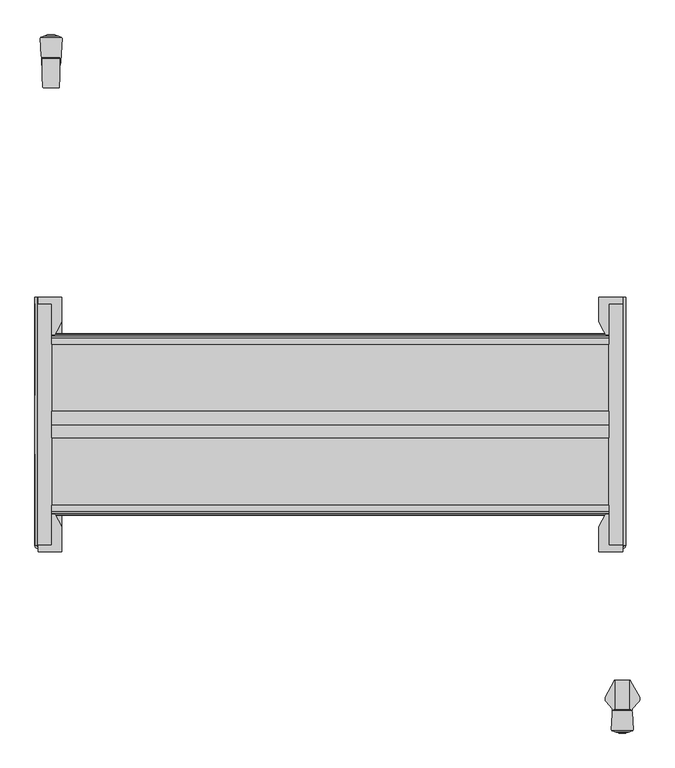
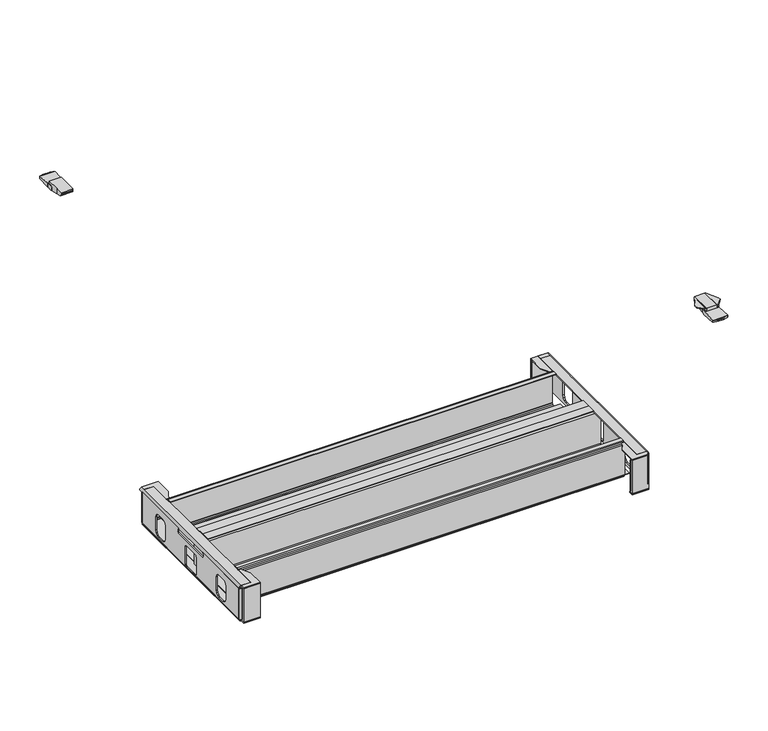
"""IFC4 building model written with IfcOpenShell, lengths in millimetres: furniture geometry."""

from ifc_helpers import new_model, si_unit, point, frame, frame_2d, origin, place, context, project, spatial, polyline, circle_curve, ellipse_curve, trimmed, segment, composite_curve, outline, extrude, faceted_brep, source, transform, mapped, element, save
from ifc_brep_helpers import plane_surface, cylinder_surface, advanced_brep


def furniture_58b307c2(model_context):
    return source(origin(), model_context, "Body", "SolidModel", [
        advanced_brep(
        [(-675.4317452, 1071.8221186, 1017.7130243), (-675.4317452, 1075.6963371, 1016.9270984), (-675.4317452, 1077.8255676, 1016.6538593), (-675.4317452, 1079.7968499, 1016.5113535), (-675.4317452, 1081.8293203, 1016.5263235), (-675.4317452, 1083.869203, 1016.7748548), (-675.4317452, 1091.5328704, 1029.7916475), (-675.4317452, 1090.6843394, 1037.209), (-675.4317452, 1054.9216668, 1037.209), (-675.4317452, 1054.9216668, 1021.7486428), (-708.2451645, 1090.6843394, 1037.209), (-708.2451645, 1091.5328704, 1029.7916475), (-708.2451645, 1083.869203, 1016.7748548), (-708.2451645, 1081.8293203, 1016.5263235), (-708.2451645, 1079.7968499, 1016.5113535), (-708.2451645, 1077.8255676, 1016.6538593), (-708.2451645, 1075.6963371, 1016.9270984), (-708.2451645, 1071.8221186, 1017.7130243), (-708.2451645, 1056.0256731, 1021.4850198), (-708.2451645, 1056.0256731, 1037.209), (-707.3063131, 1035.6569697, 1037.209), (-705.6193974, 1034.3300757, 1037.209), (-678.0066255, 1034.3300757, 1037.209), (-676.3197098, 1035.6569697, 1037.209), (-706.4875126, 1034.5633827, 1033.8727211), (-677.1385102, 1034.5633827, 1033.8727211), (-706.8291096, 1034.8218335, 1032.277615), (-676.7969133, 1034.8218335, 1032.277615), (-707.1802739, 1035.3072326, 1030.7540161), (-676.445749, 1035.3072326, 1030.7540161), (-707.3063131, 1035.6569697, 1030.0612029), (-707.3229046, 1036.0169277, 1029.3481426), (-676.3031183, 1036.0169277, 1029.3481426), (-676.3197098, 1035.6569697, 1030.0612029), (-707.3646804, 1036.9232677, 1028.0897165), (-676.2613425, 1036.9232677, 1028.0897165), (-707.4167075, 1038.0520142, 1026.9530853), (-676.2093154, 1038.0520142, 1026.9530853), (-707.541025, 1040.7491243, 1025.2864719), (-676.0849979, 1040.7491243, 1025.2864719), (-707.6116573, 1042.2815162, 1024.7669542), (-676.0143656, 1042.2815162, 1024.7669542)],
        [
            (0, 1),
            (1, 2),
            (2, 3),
            (3, 4),
            (4, 5),
            (5, 6),
            (6, 7),
            (7, 8),
            (8, 9),
            (9, 0),
            (10, 11),
            (11, 12),
            (12, 13),
            (13, 14),
            (14, 15),
            (15, 16),
            (16, 17),
            (17, 18),
            (18, 19),
            (19, 10),
            (7, 10),
            (19, 20),
            (20, 21, circle_curve(frame((-705.6177592, 1036.0679158, 1037.209), z_axis=(0.0, 0.0, 1.0), x_axis=(1.0000000000000004, 0.0, 0.0)), 1.7378408)),
            (21, 22),
            (22, 23, circle_curve(frame((-678.0082636, 1036.0679158, 1037.209), z_axis=(0.0, 0.0, 1.0), x_axis=(-1.0000000000000004, 0.0, 0.0)), 1.7378408)),
            (23, 8),
            (21, 24, ellipse_curve(frame((-705.6177592, 1036.0679158, 1012.3579681), z_axis=(0.0, -0.997563808233696, -0.06975993479273002), x_axis=(0.0, 0.06975993479273002, -0.997563808233696)), 24.9117327, 1.7378408)),
            (24, 25),
            (25, 22, ellipse_curve(frame((-678.0082636, 1036.0679158, 1012.3579681), z_axis=(0.0, -0.997563808233696, -0.06975993479273002), x_axis=(0.0, 0.06975993479273002, -0.997563808233696)), 24.9117327, 1.7378408)),
            (24, 26, ellipse_curve(frame((-705.6177592, 1036.0679158, 1024.5870466), z_axis=(0.0, -0.9871264986508672, -0.15994147573809486), x_axis=(0.0, 0.15994147573809486, -0.9871264986508672)), 10.8654796, 1.7378408)),
            (26, 27),
            (27, 25, ellipse_curve(frame((-678.0082636, 1036.0679158, 1024.5870466), z_axis=(0.0, -0.9871264986508672, -0.15994147573809486), x_axis=(0.0, 0.15994147573809486, -0.9871264986508672)), 10.8654796, 1.7378408)),
            (26, 28, ellipse_curve(frame((-705.6177592, 1036.0679158, 1028.3663399), z_axis=(0.0, -0.9528141049574114, -0.3035544125757477), x_axis=(0.0, 0.3035544125757477, -0.9528141049574111)), 5.7249731, 1.7378408)),
            (28, 29),
            (29, 27, ellipse_curve(frame((-678.0082636, 1036.0679158, 1028.3663399), z_axis=(0.0, -0.9528141049574114, -0.3035544125757477), x_axis=(0.0, 0.3035544125757477, -0.9528141049574111)), 5.7249731, 1.7378408)),
            (30, 31),
            (31, 32),
            (32, 33),
            (33, 29, ellipse_curve(frame((-678.0082636, 1036.0679158, 1029.2471375), z_axis=(0.0, -0.8927040411549354, -0.45064342323576334), x_axis=(0.0, 0.45064342323576334, -0.8927040411549354)), 3.8563546, 1.7378408)),
            (28, 30, ellipse_curve(frame((-705.6177592, 1036.0679158, 1029.2471375), z_axis=(0.0, -0.8927040411549354, -0.45064342323576334), x_axis=(0.0, 0.45064342323576334, -0.8927040411549354)), 3.8563546, 1.7378408)),
            (31, 34),
            (34, 35),
            (35, 32),
            (34, 36),
            (36, 37),
            (37, 35),
            (36, 38),
            (38, 39),
            (39, 37),
            (38, 40),
            (40, 41),
            (41, 39),
            (17, 0),
            (9, 41),
            (40, 18),
            (16, 1),
            (15, 2),
            (14, 3),
            (13, 4),
            (12, 5),
            (11, 6),
            (30, 20),
            (23, 33),
        ],
        [
            plane_surface(frame((-675.4317452, 1076.1473996, 1037.209), z_axis=(1.0, 0.0, 0.0), x_axis=(0.0, -1.0, 0.0))),
            plane_surface(frame((-708.2451645, 1076.1473996, 1037.209), z_axis=(-1.0, 0.0, 0.0), x_axis=(0.0, 1.0, 0.0))),
            plane_surface(frame((-675.4317452, 1090.6843394, 1037.209), z_axis=(0.0, 0.0, 1.0), x_axis=(-1.0, 0.0, 0.0))),
            plane_surface(frame((-675.4317452, 1034.3300757, 1037.209), z_axis=(0.0, -0.997563808233696, -0.06975993479273002), x_axis=(-1.0, 0.0, 0.0))),
            plane_surface(frame((-675.4317452, 1034.5633827, 1033.8727211), z_axis=(0.0, -0.9871264986508672, -0.15994147573809486), x_axis=(-1.0, 0.0, 0.0))),
            plane_surface(frame((-675.4317452, 1034.8218335, 1032.277615), z_axis=(0.0, -0.9528141049574114, -0.3035544125757477), x_axis=(-1.0, 0.0, 0.0))),
            plane_surface(frame((-675.4317452, 1035.3072326, 1030.7540161), z_axis=(0.0, -0.8927040411549354, -0.45064342323576334), x_axis=(-1.0, 0.0, 0.0))),
            plane_surface(frame((-675.4317452, 1036.0169277, 1029.3481426), z_axis=(0.0, -0.8114507875380343, -0.5844207554526992), x_axis=(-1.0, 0.0, 0.0))),
            plane_surface(frame((-675.4317452, 1036.9232677, 1028.0897165), z_axis=(0.0, -0.7095635828811538, -0.704641413662907), x_axis=(-1.0, 0.0, 0.0))),
            plane_surface(frame((-675.4317452, 1038.0520142, 1026.9530853), z_axis=(0.0, -0.5256643953018257, -0.8506920379972802), x_axis=(-1.0, 0.0, 0.0))),
            plane_surface(frame((-675.4317452, 1040.7491243, 1025.2864719), z_axis=(0.0, -0.32107410172322687, -0.9470540751206464), x_axis=(-1.0, 0.0, 0.0))),
            plane_surface(frame((-675.4317452, 1042.2815162, 1024.7669542), z_axis=(0.0, -0.23225778917580214, -0.9726542650742702), x_axis=(-1.0, 0.0, 0.0))),
            plane_surface(frame((-675.4317452, 1071.8221186, 1017.7130243), z_axis=(0.0, -0.1988109622365402, -0.9800378570721546), x_axis=(-1.0, 0.0, 0.0))),
            plane_surface(frame((-675.4317452, 1075.6963371, 1016.9270984), z_axis=(0.0, -0.12728387031952282, -0.9918663298834591), x_axis=(-1.0, 0.0, 0.0))),
            plane_surface(frame((-675.4317452, 1077.8255676, 1016.6538593), z_axis=(0.0, -0.07210277493300893, -0.997397207659496), x_axis=(-1.0, 0.0, 0.0))),
            plane_surface(frame((-675.4317452, 1079.7968499, 1016.5113535), z_axis=(0.0, 0.007365229187275849, -0.9999728763316628), x_axis=(-1.0, 0.0, 0.0))),
            plane_surface(frame((-675.4317452, 1081.8293203, 1016.5263235), z_axis=(0.0, 0.12094176610084176, -0.992659603898743), x_axis=(-1.0, 0.0, 0.0))),
            plane_surface(frame((-675.4317452, 1083.869203, 1016.7748548), z_axis=(0.0, 0.8617394273144984, -0.5073511204399574), x_axis=(-1.0, 0.0, 0.0))),
            plane_surface(frame((-675.4317452, 1091.5328704, 1029.7916475), z_axis=(0.0, 0.9935200698495489, 0.11365681152551964), x_axis=(-1.0, 0.0, 0.0))),
            plane_surface(frame((-707.3063131, 1035.6569697, 1050.6978518), z_axis=(-0.9989394147117107, -0.04604395438518504, 0.0), x_axis=(0.0, 0.0, -1.0))),
            cylinder_surface(frame((-705.6177592, 1036.0679158, 1007.8853687), z_axis=(0.0, 0.0, -1.0), x_axis=(1.0000000000000004, 0.0, 0.0)), 1.7378408),
            plane_surface(frame((-673.6404627, 1093.784156, 1050.6978518), z_axis=(0.9989394147117103, -0.04604395438519144, 0.0), x_axis=(0.0, 0.0, -1.0))),
            cylinder_surface(frame((-678.0082636, 1036.0679158, 1007.8853687), z_axis=(0.0, 0.0, -1.0), x_axis=(-1.0000000000000004, 0.0, 0.0)), 1.7378408),
        ],
        [
            (0, [[1, 2, 3, 4, 5, 6, 7, 8, 9, 10]]),
            (1, [[11, 12, 13, 14, 15, 16, 17, 18, 19, 20]]),
            (2, [[21, -20, 22, 23, 24, 25, 26, -8]]),
            (3, [[27, 28, 29, -24]]),
            (4, [[30, 31, 32, -28]]),
            (5, [[33, 34, 35, -31]]),
            (6, [[36, 37, 38, 39, -34, 40]]),
            (7, [[41, 42, 43, -37]]),
            (8, [[44, 45, 46, -42]]),
            (9, [[47, 48, 49, -45]]),
            (10, [[50, 51, 52, -48]]),
            (11, [[53, -10, 54, -51, 55, -18]]),
            (12, [[-1, -53, -17, 56]]),
            (13, [[-2, -56, -16, 57]]),
            (14, [[-3, -57, -15, 58]]),
            (15, [[-4, -58, -14, 59]]),
            (16, [[-5, -59, -13, 60]]),
            (17, [[-6, -60, -12, 61]]),
            (18, [[-7, -61, -11, -21]]),
            (19, [[62, -22, -19, -55, -50, -47, -44, -41, -36]]),
            (20, [[-62, -40, -33, -30, -27, -23]]),
            (21, [[63, -38, -43, -46, -49, -52, -54, -9, -26]]),
            (22, [[-63, -25, -29, -32, -35, -39]]),
        ],
    ),
        faceted_brep([(-674.201947, 1080.6279947, 1029.223888), (-674.0056147, 1083.5645029, 1030.0697046), (-709.5145074, 1083.5645029, 1030.0697046), (-709.3791554, 1080.6279947, 1029.223888), (-674.3465732, 1078.4648454, 1027.3301699), (-709.2794497, 1078.4648454, 1027.3301699), (-674.4145724, 1077.4477927, 1025.0631571), (-709.2325708, 1077.4477927, 1025.0631571), (-674.4293768, 1077.2263672, 1023.7281368), (-709.2223647, 1077.2263672, 1023.7281368), (-674.4261142, 1077.2751651, 1022.446311), (-709.2246139, 1077.2751651, 1022.446311), (-674.4106539, 1077.506401, 1021.1650665), (-709.2352722, 1077.506401, 1021.1650665), (-674.3493839, 1078.4228058, 1019.326952), (-709.2775119, 1078.4228058, 1019.326952), (-674.2326986, 1080.1680481, 1017.6682596), (-709.3579551, 1080.1680481, 1017.6682596), (-674.0544858, 1082.8335468, 1016.6432495), (-709.4808155, 1082.8335468, 1016.6432495), (-673.962786, 1084.2050837, 1016.5717422), (-709.5440336, 1084.2050837, 1016.5717422), (-671.0473822, 1127.8102709, 1023.2389952), (-709.9855602, 1093.784156, 1018.0363867), (-710.5204622, 1093.784156, 1018.0363867), (-712.7954178, 1127.8102709, 1023.2389952), (-671.0040016, 1128.4591078, 1023.3389153), (-712.8387984, 1128.4591078, 1023.3389153), (-711.416104, 1129.5267722, 1023.5033343), (-708.0218056, 1130.7760783, 1023.695726), (-675.8209944, 1130.7760783, 1023.695726), (-672.426696, 1129.5267722, 1023.5033343), (-681.0962098, 1132.7176749, 1023.9930916), (-702.7465902, 1132.7176749, 1023.9930916), (-685.3723762, 1134.2915613, 1025.1280514), (-698.4704238, 1134.2915613, 1025.1280514), (-685.0005958, 1134.1547238, 1027.4254402), (-698.8422042, 1134.1547238, 1027.4254402), (-680.5815491, 1132.5282488, 1028.3600857), (-703.2612509, 1132.5282488, 1028.3600857), (-673.1840778, 1129.8055343, 1028.4561186), (-710.6587222, 1129.8055343, 1028.4561186), (-671.0040016, 1128.4591078, 1028.5031023), (-672.426696, 1129.5267722, 1028.465846), (-711.416104, 1129.5267722, 1028.465846), (-712.8387984, 1128.4591078, 1028.5031023), (-710.5204622, 1093.784156, 1029.7130886), (-709.9855602, 1093.784156, 1029.7130886)], [[[0, 1, 2, 3]], [[4, 0, 3, 5]], [[6, 4, 5, 7]], [[8, 6, 7, 9]], [[10, 8, 9, 11]], [[12, 10, 11, 13]], [[14, 12, 13, 15]], [[16, 14, 15, 17]], [[18, 16, 17, 19]], [[20, 18, 19, 21]], [[22, 20, 21, 23, 24, 25]], [[26, 22, 25, 27, 28, 29, 30, 31]], [[32, 30, 29, 33]], [[34, 32, 33, 35]], [[36, 34, 35, 37]], [[38, 36, 37, 39]], [[40, 38, 39, 41]], [[1, 42, 43, 40, 41, 44, 45, 46, 47, 2]], [[26, 42, 1, 0, 4, 6, 8, 10, 12, 14, 16, 18, 20, 22]], [[43, 31, 30, 32, 34, 36, 38, 40]], [[42, 26, 31, 43]], [[47, 23, 21, 19, 17, 15, 13, 11, 9, 7, 5, 3, 2]], [[23, 47, 46, 24]], [[45, 27, 25, 24, 46]], [[28, 44, 41, 39, 37, 35, 33, 29]], [[44, 28, 27, 45]]]),
        advanced_brep(
        [(372.8331697, -84.4376979, 1037.209), (372.8331697, -84.4376979, 1029.9601819), (371.71166, -84.4376979, 1029.8867914), (371.71166, -84.4376979, 1037.209), (368.5278093, -139.9108353, 1033.5228106), (368.6778673, -139.9108353, 1031.2297138), (369.0572398, -139.9108353, 1029.7130886), (372.8331697, -139.9108353, 1029.9601819), (372.8331697, -139.9108353, 1037.209), (368.1573081, -139.9108353, 1037.209), (368.1573081, -139.9108353, 1033.8693631), (354.4556977, -115.9887657, 1037.209), (354.4556977, -121.174185, 1037.209), (356.3637879, -124.7627808, 1037.209), (368.1573081, -137.9611382, 1037.209), (354.7338057, -115.4802687, 1036.2591307), (354.7338057, -122.0880103, 1036.2591307), (355.324758, -114.3997624, 1035.4654291), (355.324758, -123.3454594, 1035.4654291), (356.2021754, -112.795479, 1034.9271625), (356.2021754, -124.5805945, 1034.9271625), (359.034924, -107.6160377, 1034.7095886), (359.034924, -127.752101, 1034.7095886), (356.3637879, -124.7627808, 1034.9147496), (367.25964, -92.5778401, 1034.7090072), (367.25964, -136.9565404, 1034.7090072), (368.5278093, -90.2590997, 1033.5228106), (368.1573081, -137.9611382, 1033.8693631), (368.6778673, -89.9847313, 1031.2297138), (369.0572398, -89.2910808, 1029.7130886)],
        [
            (0, 1),
            (1, 2),
            (2, 3),
            (3, 0),
            (4, 5),
            (5, 6),
            (6, 7),
            (7, 8),
            (8, 9),
            (9, 10),
            (10, 4),
            (8, 0),
            (3, 11),
            (11, 12),
            (12, 13, circle_curve(frame((362.3824137, -119.261048, 1037.209), z_axis=(0.0, 0.0, 1.0), x_axis=(1.0, 0.0, 0.0)), 8.1543192)),
            (13, 14),
            (14, 9),
            (11, 15),
            (15, 16),
            (16, 12, ellipse_curve(frame((362.3824137, -119.261048, 1010.1355466), z_axis=(-0.9597108497777287, 0.0, -0.28098947456961776), x_axis=(0.28098947456961776, 0.0, -0.9597108497777287)), 29.0200165, 8.1543192)),
            (15, 17),
            (17, 18),
            (18, 16, ellipse_curve(frame((362.3824137, -119.261048, 1025.9863691), z_axis=(-0.8020925083963487, 0.0, -0.597199805738794), x_axis=(0.5971998057387942, 0.0, -0.8020925083963487)), 13.6542563, 8.1543192)),
            (17, 19),
            (19, 20),
            (20, 18, ellipse_curve(frame((362.3824137, -119.261048, 1031.1357905), z_axis=(-0.5229113139159309, 0.0, -0.8523870938597762), x_axis=(0.8523870938597762, 0.0, -0.5229113139159307)), 9.5664508, 8.1543192)),
            (19, 21),
            (21, 22),
            (22, 23),
            (23, 20, ellipse_curve(frame((362.3824137, -119.261048, 1034.4524791), z_axis=(-0.07658109560408621, 0.0, -0.9970633559589269), x_axis=(0.9970633559589269, 0.0, -0.076581095604086)), 8.178336, 8.1543192)),
            (21, 24),
            (24, 25),
            (25, 22),
            (26, 4),
            (10, 27),
            (27, 25),
            (24, 26),
            (26, 28),
            (28, 5),
            (28, 29),
            (29, 6),
            (29, 2),
            (1, 7),
            (27, 14),
            (13, 23),
        ],
        [
            plane_surface(frame((372.8331697, -84.4376979, 1029.7916475), z_axis=(0.0, 1.0, 0.0), x_axis=(0.0, 0.0, -1.0))),
            plane_surface(frame((372.8331697, -139.9108353, 1029.7916475), z_axis=(0.0, -1.0, 0.0), x_axis=(0.0, 0.0, 1.0))),
            plane_surface(frame((354.4556977, -84.4376979, 1037.209), z_axis=(0.0, 0.0, 1.0), x_axis=(0.0, -1.0, 0.0))),
            plane_surface(frame((354.7338057, -84.4376979, 1036.2591307), z_axis=(-0.9597108497777287, 0.0, -0.28098947456961776), x_axis=(0.0, -1.0, 0.0))),
            plane_surface(frame((355.324758, -84.4376979, 1035.4654291), z_axis=(-0.8020925083963487, 0.0, -0.597199805738794), x_axis=(0.0, -1.0, 0.0))),
            plane_surface(frame((356.2021754, -84.4376979, 1034.9271625), z_axis=(-0.5229113139159309, 0.0, -0.8523870938597762), x_axis=(0.0, -1.0, 0.0))),
            plane_surface(frame((359.034924, -84.4376979, 1034.7095886), z_axis=(-0.07658109560408621, 0.0, -0.9970633559589269), x_axis=(0.0, -1.0, 0.0))),
            plane_surface(frame((367.25964, -84.4376979, 1034.7090072), z_axis=(-7.068449081192285e-05, 0.0, -0.9999999975018514), x_axis=(0.0, -1.0, 0.0))),
            plane_surface(frame((368.5278093, -84.4376979, 1033.5228106), z_axis=(-0.6831094450823834, 0.0, -0.730316017925965), x_axis=(0.0, -1.0, 0.0))),
            plane_surface(frame((368.6778673, -84.4376979, 1031.2297138), z_axis=(-0.9978657180161974, 0.0, -0.06529937831265213), x_axis=(0.0, -1.0, 0.0))),
            plane_surface(frame((369.0572398, -84.4376979, 1029.7130886), z_axis=(-0.9701099565798296, 0.0, -0.24266576220118327), x_axis=(0.0, -1.0, 0.0))),
            plane_surface(frame((372.8331697, -84.4376979, 1029.9601819), z_axis=(0.06529937831268313, 0.0, -0.9978657180161954), x_axis=(0.0, -1.0, 0.0))),
            plane_surface(frame((372.8331697, -84.4376979, 1037.209), z_axis=(1.0, 0.0, 0.0), x_axis=(0.0, -1.0, 0.0))),
            plane_surface(frame((354.0963549, -116.6457936, 1067.1304045), z_axis=(-0.8773539056662283, 0.4798438539902486, 0.0), x_axis=(0.0, 0.0, -1.0))),
            plane_surface(frame((368.1573081, -137.9611382, 1044.0028547), z_axis=(-0.745677339865646, -0.6663072150373984, 0.0), x_axis=(0.0, 0.0, -1.0))),
            plane_surface(frame((368.1573081, -141.1374645, 1044.0028547), z_axis=(-1.0, 0.0, 0.0), x_axis=(0.0, 0.0, -1.0))),
            cylinder_surface(frame((362.3824137, -119.261048, 344.6554878), z_axis=(0.0, 0.0, -1.0), x_axis=(1.0, 0.0, 0.0)), 8.1543192),
        ],
        [
            (0, [[1, 2, 3, 4]]),
            (1, [[5, 6, 7, 8, 9, 10, 11]]),
            (2, [[12, -4, 13, 14, 15, 16, 17, -9]]),
            (3, [[18, 19, 20, -14]]),
            (4, [[21, 22, 23, -19]]),
            (5, [[24, 25, 26, -22]]),
            (6, [[27, 28, 29, 30, -25]]),
            (7, [[31, 32, 33, -28]]),
            (8, [[34, -11, 35, 36, -32, 37]]),
            (9, [[-5, -34, 38, 39]]),
            (10, [[-6, -39, 40, 41]]),
            (11, [[-7, -41, 42, -2, 43]]),
            (12, [[-1, -12, -8, -43]]),
            (13, [[-3, -42, -40, -38, -37, -31, -27, -24, -21, -18, -13]]),
            (14, [[44, -16, 45, -29, -33, -36]]),
            (15, [[-44, -35, -10, -17]]),
            (16, [[-15, -20, -23, -26, -30, -45]]),
        ],
    ),
        advanced_brep(
        [(401.4096303, -84.4376979, 1029.9601819), (401.4096303, -84.4376979, 1037.209), (402.53114, -84.4376979, 1037.209), (402.53114, -84.4376979, 1029.8867914), (401.4096303, -139.9108353, 1037.209), (401.4096303, -139.9108353, 1029.9601819), (405.1855602, -139.9108353, 1029.7130886), (405.5649327, -139.9108353, 1031.2297138), (405.7149907, -139.9108353, 1033.5228106), (406.0854919, -139.9108353, 1033.8693631), (406.0854919, -139.9108353, 1037.209), (406.0854919, -137.9611382, 1037.209), (417.8790121, -124.7627808, 1037.209), (419.7871023, -121.174185, 1037.209), (419.7871023, -115.9887657, 1037.209), (419.5089943, -115.4802687, 1036.2591307), (419.5089943, -122.0880103, 1036.2591307), (418.918042, -114.3997624, 1035.4654291), (418.918042, -123.3454594, 1035.4654291), (418.0406246, -112.795479, 1034.9271625), (418.0406246, -124.5805945, 1034.9271625), (415.207876, -107.6160377, 1034.7095886), (417.8790121, -124.7627808, 1034.9147496), (415.207876, -127.752101, 1034.7095886), (406.98316, -92.5778401, 1034.7090072), (406.98316, -136.9565404, 1034.7090072), (405.7149907, -90.2590997, 1033.5228106), (406.0854919, -137.9611382, 1033.8693631), (405.5649327, -89.9847313, 1031.2297138), (405.1855602, -89.2910808, 1029.7130886)],
        [
            (0, 1),
            (1, 2),
            (2, 3),
            (3, 0),
            (4, 5),
            (5, 6),
            (6, 7),
            (7, 8),
            (8, 9),
            (9, 10),
            (10, 4),
            (1, 4),
            (10, 11),
            (11, 12),
            (12, 13, circle_curve(frame((411.8603863, -119.261048, 1037.209), z_axis=(0.0, 0.0, 1.0), x_axis=(-1.0, 0.0, 0.0)), 8.1543192)),
            (13, 14),
            (14, 2),
            (15, 14),
            (13, 16, ellipse_curve(frame((411.8603863, -119.261048, 1010.1355466), z_axis=(0.9597108497777287, 0.0, -0.28098947456961776), x_axis=(-0.28098947456961776, 0.0, -0.9597108497777287)), 29.0200165, 8.1543192)),
            (16, 15),
            (17, 15),
            (16, 18, ellipse_curve(frame((411.8603863, -119.261048, 1025.9863691), z_axis=(0.8020925083963487, 0.0, -0.597199805738794), x_axis=(-0.5971998057387942, 0.0, -0.8020925083963487)), 13.6542563, 8.1543192)),
            (18, 17),
            (19, 17),
            (18, 20, ellipse_curve(frame((411.8603863, -119.261048, 1031.1357905), z_axis=(0.5229113139159309, 0.0, -0.8523870938597762), x_axis=(-0.8523870938597762, 0.0, -0.5229113139159307)), 9.5664508, 8.1543192)),
            (20, 19),
            (21, 19),
            (20, 22, ellipse_curve(frame((411.8603863, -119.261048, 1034.4524791), z_axis=(0.07658109560408916, 0.0, -0.9970633559589267), x_axis=(-0.9970633559589266, 0.0, -0.07658109560408885)), 8.178336, 8.1543192)),
            (22, 23),
            (23, 21),
            (24, 21),
            (23, 25),
            (25, 24),
            (8, 26),
            (26, 24),
            (25, 27),
            (27, 9),
            (7, 28),
            (28, 26),
            (6, 29),
            (29, 28),
            (5, 0),
            (3, 29),
            (11, 27),
            (22, 12),
        ],
        [
            plane_surface(frame((403.4451645, -84.4376979, 1037.209), z_axis=(0.0, 1.0, 0.0), x_axis=(1.0, 0.0, 0.0))),
            plane_surface(frame((403.4451645, -139.9108353, 1037.209), z_axis=(0.0, -1.0, 0.0), x_axis=(-1.0, 0.0, 0.0))),
            plane_surface(frame((401.4096303, -84.4376979, 1037.209), z_axis=(0.0, 0.0, 1.0), x_axis=(0.0, -1.0, 0.0))),
            plane_surface(frame((419.7871023, -84.4376979, 1037.209), z_axis=(0.9597108497777287, 0.0, -0.28098947456961776), x_axis=(0.0, -1.0, 0.0))),
            plane_surface(frame((419.5089943, -84.4376979, 1036.2591307), z_axis=(0.8020925083963487, 0.0, -0.597199805738794), x_axis=(0.0, -1.0, 0.0))),
            plane_surface(frame((418.918042, -84.4376979, 1035.4654291), z_axis=(0.5229113139159309, 0.0, -0.8523870938597762), x_axis=(0.0, -1.0, 0.0))),
            plane_surface(frame((418.0406246, -84.4376979, 1034.9271625), z_axis=(0.07658109560408916, 0.0, -0.9970633559589267), x_axis=(0.0, -1.0, 0.0))),
            plane_surface(frame((415.207876, -84.4376979, 1034.7095886), z_axis=(7.068449081192191e-05, 0.0, -0.9999999975018514), x_axis=(0.0, -1.0, 0.0))),
            plane_surface(frame((406.98316, -84.4376979, 1034.7090072), z_axis=(0.6831094450823831, 0.0, -0.7303160179259652), x_axis=(0.0, -1.0, 0.0))),
            plane_surface(frame((405.7149907, -84.4376979, 1033.5228106), z_axis=(0.9978657180161974, 0.0, -0.06529937831265213), x_axis=(0.0, -1.0, 0.0))),
            plane_surface(frame((405.5649327, -84.4376979, 1031.2297138), z_axis=(0.9701099565798296, 0.0, -0.24266576220118327), x_axis=(0.0, -1.0, 0.0))),
            plane_surface(frame((405.1855602, -84.4376979, 1029.7130886), z_axis=(-0.0652993783126831, 0.0, -0.9978657180161954), x_axis=(0.0, -1.0, 0.0))),
            plane_surface(frame((401.4096303, -84.4376979, 1029.9601819), z_axis=(-1.0, 0.0, 0.0), x_axis=(0.0, -1.0, 0.0))),
            plane_surface(frame((402.53114, -84.4376979, 1067.1304045), z_axis=(0.8773539056662283, 0.4798438539902486, 0.0), x_axis=(0.0, 0.0, -1.0))),
            plane_surface(frame((417.8790121, -124.7627808, 1044.0028547), z_axis=(0.745677339865646, -0.6663072150373984, 0.0), x_axis=(0.0, 0.0, -1.0))),
            plane_surface(frame((406.0854919, -137.9611382, 1044.0028547), z_axis=(1.0, 0.0, 0.0), x_axis=(0.0, 0.0, -1.0))),
            cylinder_surface(frame((411.8603863, -119.261048, 344.6554878), z_axis=(0.0, 0.0, -1.0), x_axis=(-1.0, 0.0, 0.0)), 8.1543192),
        ],
        [
            (0, [[1, 2, 3, 4]]),
            (1, [[5, 6, 7, 8, 9, 10, 11]]),
            (2, [[12, -11, 13, 14, 15, 16, 17, -2]]),
            (3, [[18, -16, 19, 20]]),
            (4, [[21, -20, 22, 23]]),
            (5, [[24, -23, 25, 26]]),
            (6, [[27, -26, 28, 29, 30]]),
            (7, [[31, -30, 32, 33]]),
            (8, [[34, 35, -33, 36, 37, -9]]),
            (9, [[-8, 38, 39, -34]]),
            (10, [[-7, 40, 41, -38]]),
            (11, [[-6, 42, -4, 43, -40]]),
            (12, [[-1, -42, -5, -12]]),
            (13, [[-3, -17, -18, -21, -24, -27, -31, -35, -39, -41, -43]]),
            (14, [[44, -36, -32, -29, 45, -14]]),
            (15, [[-44, -13, -10, -37]]),
            (16, [[-15, -45, -28, -25, -22, -19]]),
        ],
    ),
        advanced_brep(
        [(370.6317452, -120.8969187, 1017.7130243), (370.6317452, -124.7711372, 1016.9270984), (370.6317452, -126.9003677, 1016.6538593), (370.6317452, -128.8716499, 1016.5113535), (370.6317452, -130.9041204, 1016.5263235), (370.6317452, -132.9440031, 1016.7748548), (370.6317452, -140.6076705, 1029.7916475), (370.6317452, -139.7591395, 1037.209), (370.6317452, -103.9964669, 1037.209), (370.6317452, -103.9964669, 1021.7486428), (403.4451645, -139.7591395, 1037.209), (403.4451645, -140.6076705, 1029.7916475), (403.4451645, -132.9440031, 1016.7748548), (403.4451645, -130.9041204, 1016.5263235), (403.4451645, -128.8716499, 1016.5113535), (403.4451645, -126.9003677, 1016.6538593), (403.4451645, -124.7711372, 1016.9270984), (403.4451645, -120.8969187, 1017.7130243), (403.4451645, -105.1004732, 1021.4850198), (403.4451645, -105.1004732, 1037.209), (402.5063131, -84.7317698, 1037.209), (400.8193974, -83.4048758, 1037.209), (373.2066255, -83.4048758, 1037.209), (371.5197098, -84.7317698, 1037.209), (401.6875126, -83.6381827, 1033.8727211), (372.3385102, -83.6381827, 1033.8727211), (402.0291096, -83.8966335, 1032.277615), (371.9969133, -83.8966335, 1032.277615), (402.3802739, -84.3820327, 1030.7540161), (371.645749, -84.3820327, 1030.7540161), (402.5063131, -84.7317698, 1030.0612029), (402.5229046, -85.0917277, 1029.3481426), (371.5031183, -85.0917277, 1029.3481426), (371.5197098, -84.7317698, 1030.0612029), (402.5646804, -85.9980678, 1028.0897165), (371.4613425, -85.9980678, 1028.0897165), (402.6167075, -87.1268143, 1026.9530853), (371.4093154, -87.1268143, 1026.9530853), (402.741025, -89.8239244, 1025.2864719), (371.2849979, -89.8239244, 1025.2864719), (402.8116573, -91.3563163, 1024.7669542), (371.2143656, -91.3563163, 1024.7669542)],
        [
            (0, 1),
            (1, 2),
            (2, 3),
            (3, 4),
            (4, 5),
            (5, 6),
            (6, 7),
            (7, 8),
            (8, 9),
            (9, 0),
            (10, 11),
            (11, 12),
            (12, 13),
            (13, 14),
            (14, 15),
            (15, 16),
            (16, 17),
            (17, 18),
            (18, 19),
            (19, 10),
            (7, 10),
            (19, 20),
            (20, 21, circle_curve(frame((400.8177592, -85.1427158, 1037.209), z_axis=(0.0, 0.0, 1.0), x_axis=(-1.0, 0.0, 0.0)), 1.7378408)),
            (21, 22),
            (22, 23, circle_curve(frame((373.2082636, -85.1427158, 1037.209), z_axis=(0.0, 0.0, 1.0), x_axis=(1.0, 0.0, 0.0)), 1.7378408)),
            (23, 8),
            (21, 24, ellipse_curve(frame((400.8177592, -85.1427158, 1012.3579681), z_axis=(0.0, 0.997563808233696, -0.06975993479272999), x_axis=(0.0, -0.06975993479272999, -0.997563808233696)), 24.9117327, 1.7378408)),
            (24, 25),
            (25, 22, ellipse_curve(frame((373.2082636, -85.1427158, 1012.3579681), z_axis=(0.0, 0.997563808233696, -0.06975993479272999), x_axis=(0.0, -0.06975993479272999, -0.997563808233696)), 24.9117327, 1.7378408)),
            (24, 26, ellipse_curve(frame((400.8177592, -85.1427158, 1024.5870466), z_axis=(0.0, 0.9871264986508672, -0.15994147573809478), x_axis=(0.0, -0.1599414757380948, -0.9871264986508672)), 10.8654796, 1.7378408)),
            (26, 27),
            (27, 25, ellipse_curve(frame((373.2082636, -85.1427158, 1024.5870466), z_axis=(0.0, 0.9871264986508672, -0.15994147573809478), x_axis=(0.0, -0.1599414757380948, -0.9871264986508672)), 10.8654796, 1.7378408)),
            (26, 28, ellipse_curve(frame((400.8177592, -85.1427158, 1028.3663399), z_axis=(0.0, 0.9528141049574114, -0.3035544125757476), x_axis=(0.0, -0.3035544125757476, -0.9528141049574113)), 5.7249731, 1.7378408)),
            (28, 29),
            (29, 27, ellipse_curve(frame((373.2082636, -85.1427158, 1028.3663399), z_axis=(0.0, 0.9528141049574114, -0.3035544125757476), x_axis=(0.0, -0.3035544125757476, -0.9528141049574113)), 5.7249731, 1.7378408)),
            (30, 31),
            (31, 32),
            (32, 33),
            (33, 29, ellipse_curve(frame((373.2082636, -85.1427158, 1029.2471375), z_axis=(0.0, 0.8927040411549356, -0.45064342323576323), x_axis=(0.0, -0.45064342323576323, -0.8927040411549354)), 3.8563546, 1.7378408)),
            (28, 30, ellipse_curve(frame((400.8177592, -85.1427158, 1029.2471375), z_axis=(0.0, 0.8927040411549356, -0.45064342323576323), x_axis=(0.0, -0.45064342323576323, -0.8927040411549354)), 3.8563546, 1.7378408)),
            (31, 34),
            (34, 35),
            (35, 32),
            (34, 36),
            (36, 37),
            (37, 35),
            (36, 38),
            (38, 39),
            (39, 37),
            (38, 40),
            (40, 41),
            (41, 39),
            (17, 0),
            (9, 41),
            (40, 18),
            (16, 1),
            (15, 2),
            (14, 3),
            (13, 4),
            (12, 5),
            (11, 6),
            (30, 20),
            (23, 33),
        ],
        [
            plane_surface(frame((370.6317452, -125.2221997, 1037.209), z_axis=(-1.0, 0.0, 0.0), x_axis=(0.0, 1.0, 0.0))),
            plane_surface(frame((403.4451645, -125.2221997, 1037.209), z_axis=(1.0, 0.0, 0.0), x_axis=(0.0, -1.0, 0.0))),
            plane_surface(frame((370.6317452, -139.7591395, 1037.209), z_axis=(0.0, 0.0, 1.0), x_axis=(1.0, 0.0, 0.0))),
            plane_surface(frame((370.6317452, -83.4048758, 1037.209), z_axis=(0.0, 0.997563808233696, -0.06975993479272999), x_axis=(1.0, 0.0, 0.0))),
            plane_surface(frame((370.6317452, -83.6381827, 1033.8727211), z_axis=(0.0, 0.9871264986508672, -0.15994147573809478), x_axis=(1.0, 0.0, 0.0))),
            plane_surface(frame((370.6317452, -83.8966335, 1032.277615), z_axis=(0.0, 0.9528141049574114, -0.3035544125757476), x_axis=(1.0, 0.0, 0.0))),
            plane_surface(frame((370.6317452, -84.3820327, 1030.7540161), z_axis=(0.0, 0.8927040411549356, -0.45064342323576323), x_axis=(1.0, 0.0, 0.0))),
            plane_surface(frame((370.6317452, -85.0917277, 1029.3481426), z_axis=(0.0, 0.8114507875380346, -0.5844207554526991), x_axis=(1.0, 0.0, 0.0))),
            plane_surface(frame((370.6317452, -85.9980678, 1028.0897165), z_axis=(0.0, 0.709563582881154, -0.7046414136629068), x_axis=(1.0, 0.0, 0.0))),
            plane_surface(frame((370.6317452, -87.1268143, 1026.9530853), z_axis=(0.0, 0.5256643953018258, -0.8506920379972801), x_axis=(1.0, 0.0, 0.0))),
            plane_surface(frame((370.6317452, -89.8239244, 1025.2864719), z_axis=(0.0, 0.32107410172322703, -0.9470540751206464), x_axis=(1.0, 0.0, 0.0))),
            plane_surface(frame((370.6317452, -91.3563163, 1024.7669542), z_axis=(0.0, 0.23225778917580225, -0.9726542650742702), x_axis=(1.0, 0.0, 0.0))),
            plane_surface(frame((370.6317452, -120.8969187, 1017.7130243), z_axis=(0.0, 0.1988109622365403, -0.9800378570721546), x_axis=(1.0, 0.0, 0.0))),
            plane_surface(frame((370.6317452, -124.7711372, 1016.9270984), z_axis=(0.0, 0.12728387031952287, -0.9918663298834591), x_axis=(1.0, 0.0, 0.0))),
            plane_surface(frame((370.6317452, -126.9003677, 1016.6538593), z_axis=(0.0, 0.07210277493300896, -0.997397207659496), x_axis=(1.0, 0.0, 0.0))),
            plane_surface(frame((370.6317452, -128.8716499, 1016.5113535), z_axis=(0.0, -0.007365229187275853, -0.9999728763316628), x_axis=(1.0, 0.0, 0.0))),
            plane_surface(frame((370.6317452, -130.9041204, 1016.5263235), z_axis=(0.0, -0.12094176610084181, -0.992659603898743), x_axis=(1.0, 0.0, 0.0))),
            plane_surface(frame((370.6317452, -132.9440031, 1016.7748548), z_axis=(0.0, -0.8617394273144986, -0.5073511204399573), x_axis=(1.0, 0.0, 0.0))),
            plane_surface(frame((370.6317452, -140.6076705, 1029.7916475), z_axis=(0.0, -0.9935200698495489, 0.11365681152551958), x_axis=(1.0, 0.0, 0.0))),
            plane_surface(frame((402.5063131, -84.7317698, 1050.6978518), z_axis=(0.9989394147117105, 0.04604395438518826, 0.0), x_axis=(0.0, 0.0, -1.0))),
            cylinder_surface(frame((400.8177592, -85.1427158, 1007.8853687), z_axis=(0.0, 0.0, -1.0), x_axis=(-1.0, 0.0, 0.0)), 1.7378408),
            plane_surface(frame((368.8404627, -142.8589561, 1050.6978518), z_axis=(-0.9989394147117104, 0.04604395438518822, 0.0), x_axis=(0.0, 0.0, -1.0))),
            cylinder_surface(frame((373.2082636, -85.1427158, 1007.8853687), z_axis=(0.0, 0.0, -1.0), x_axis=(1.0, 0.0, 0.0)), 1.7378408),
        ],
        [
            (0, [[1, 2, 3, 4, 5, 6, 7, 8, 9, 10]]),
            (1, [[11, 12, 13, 14, 15, 16, 17, 18, 19, 20]]),
            (2, [[21, -20, 22, 23, 24, 25, 26, -8]]),
            (3, [[27, 28, 29, -24]]),
            (4, [[30, 31, 32, -28]]),
            (5, [[33, 34, 35, -31]]),
            (6, [[36, 37, 38, 39, -34, 40]]),
            (7, [[41, 42, 43, -37]]),
            (8, [[44, 45, 46, -42]]),
            (9, [[47, 48, 49, -45]]),
            (10, [[50, 51, 52, -48]]),
            (11, [[53, -10, 54, -51, 55, -18]]),
            (12, [[-1, -53, -17, 56]]),
            (13, [[-2, -56, -16, 57]]),
            (14, [[-3, -57, -15, 58]]),
            (15, [[-4, -58, -14, 59]]),
            (16, [[-5, -59, -13, 60]]),
            (17, [[-6, -60, -12, 61]]),
            (18, [[-7, -61, -11, -21]]),
            (19, [[62, -22, -19, -55, -50, -47, -44, -41, -36]]),
            (20, [[-62, -40, -33, -30, -27, -23]]),
            (21, [[63, -38, -43, -46, -49, -52, -54, -9, -26]]),
            (22, [[-63, -25, -29, -32, -35, -39]]),
        ],
    ),
        faceted_brep([(369.401947, -129.7027948, 1029.223888), (369.2056147, -132.639303, 1030.0697046), (404.7145074, -132.639303, 1030.0697046), (404.5791554, -129.7027948, 1029.223888), (369.5465732, -127.5396455, 1027.3301699), (404.4794497, -127.5396455, 1027.3301699), (369.6145724, -126.5225927, 1025.0631571), (404.4325708, -126.5225927, 1025.0631571), (369.6293768, -126.3011673, 1023.7281368), (404.4223647, -126.3011673, 1023.7281368), (369.6261142, -126.3499652, 1022.446311), (404.4246139, -126.3499652, 1022.446311), (369.6106539, -126.5812011, 1021.1650665), (404.4352722, -126.5812011, 1021.1650665), (369.5493839, -127.4976059, 1019.326952), (404.4775119, -127.4976059, 1019.326952), (369.4326986, -129.2428482, 1017.6682596), (404.5579551, -129.2428482, 1017.6682596), (369.2544858, -131.9083469, 1016.6432495), (404.6808155, -131.9083469, 1016.6432495), (369.162786, -133.2798838, 1016.5717422), (404.7440336, -133.2798838, 1016.5717422), (366.2473822, -176.885071, 1023.2389952), (405.1855602, -142.8589561, 1018.0363867), (405.7204622, -142.8589561, 1018.0363867), (407.9954178, -176.885071, 1023.2389952), (366.2040016, -177.5339079, 1023.3389153), (408.0387984, -177.5339079, 1023.3389153), (406.616104, -178.6015723, 1023.5033343), (403.2218056, -179.8508783, 1023.695726), (371.0209944, -179.8508783, 1023.695726), (367.626696, -178.6015723, 1023.5033343), (376.2962098, -181.7924749, 1023.9930916), (397.9465902, -181.7924749, 1023.9930916), (380.5723762, -183.3663614, 1025.1280514), (393.6704238, -183.3663614, 1025.1280514), (380.2005958, -183.2295239, 1027.4254402), (394.0422042, -183.2295239, 1027.4254402), (375.7815491, -181.6030488, 1028.3600857), (398.4612509, -181.6030488, 1028.3600857), (368.3840778, -178.8803344, 1028.4561186), (405.8587222, -178.8803344, 1028.4561186), (366.2040016, -177.5339079, 1028.5031023), (367.626696, -178.6015723, 1028.465846), (406.616104, -178.6015723, 1028.465846), (408.0387984, -177.5339079, 1028.5031023), (405.7204622, -142.8589561, 1029.7130886), (405.1855602, -142.8589561, 1029.7130886)], [[[0, 1, 2, 3]], [[4, 0, 3, 5]], [[6, 4, 5, 7]], [[8, 6, 7, 9]], [[10, 8, 9, 11]], [[12, 10, 11, 13]], [[14, 12, 13, 15]], [[16, 14, 15, 17]], [[18, 16, 17, 19]], [[20, 18, 19, 21]], [[22, 20, 21, 23, 24, 25]], [[26, 22, 25, 27, 28, 29, 30, 31]], [[32, 30, 29, 33]], [[34, 32, 33, 35]], [[36, 34, 35, 37]], [[38, 36, 37, 39]], [[40, 38, 39, 41]], [[1, 42, 43, 40, 41, 44, 45, 46, 47, 2]], [[26, 42, 1, 0, 4, 6, 8, 10, 12, 14, 16, 18, 20, 22]], [[43, 31, 30, 32, 34, 36, 38, 40]], [[42, 26, 31, 43]], [[47, 23, 21, 19, 17, 15, 13, 11, 9, 7, 5, 3, 2]], [[23, 47, 46, 24]], [[45, 27, 25, 24, 46]], [[28, 44, 41, 39, 37, 35, 33, 29]], [[44, 28, 27, 45]]]),
        extrude(outline(polyline([(235.5330134, 432.1810157), (232.3580074, 431.3302682), (230.0337488, 429.0059915), (229.1830013, 425.8310036), (229.1830013, 340.2751793), (229.1830013, 338.0914349), (230.0320594, 334.9226842), (232.3563179, 332.5984075), (235.531324, 331.74766), (397.7786116, 331.74766), (562.8273164, 331.74766), (566.0023225, 332.5984075), (568.326581, 334.9226842), (569.1756391, 338.0914349), (569.1756391, 340.2751793), (569.1756391, 425.8310036), (568.3248916, 429.0059915), (566.000633, 431.3302682), (562.825627, 432.1810157), (550.4073577, 432.1810157), (550.4073577, 433.4002), (562.825627, 433.4002), (566.6102252, 432.3861267), (569.4215919, 429.4631947), (570.3948234, 425.8310036), (570.3948234, 340.2751793), (570.3948234, 338.091367), (569.3824396, 334.3130557), (566.6119146, 331.542549), (562.8273164, 330.5284757), (398.8377457, 330.5284757), (235.531324, 330.5284757), (231.7467258, 331.542549), (228.9762009, 334.3130557), (227.963817, 338.091367), (227.963817, 340.2751793), (227.963817, 425.8310036), (228.9370485, 429.4631947), (231.7484152, 432.3861267), (235.5330134, 433.4002), (246.663566, 433.4002), (246.663566, 432.1810157), (235.5330134, 432.1810157)])), frame((-690.766129, 0.0, 0.0), z_axis=(1.0, 0.0, 0.0), x_axis=(0.0, 1.0, 0.0)), (0.0, 0.0, 1.0), 1052.4985348),
        extrude(outline(polyline([(424.3986156, 432.1810157), (396.9389352, 432.1810157), (374.3606156, 432.1810157), (374.3606156, 433.4002), (397.785447, 433.4002), (424.3986156, 433.4002), (424.3986156, 432.1810157)])), frame((-690.766129, 0.0, 0.0), z_axis=(1.0, 0.0, 0.0), x_axis=(0.0, 1.0, 0.0)), (0.0, 0.0, 1.0), 1052.4985348),
        extrude(outline(polyline([(-716.6329639, 633.2744336), (-716.6329639, 639.3704277), (-671.6647785, 639.3704277), (-671.6647785, 633.2744336), (-716.6329639, 633.2744336)])), frame((0.0, 0.0, 332.4085572), z_axis=(0.0, 0.0, 1.0), x_axis=(1.0, 0.0, 0.0)), (0.0, 0.0, 1.0), 96.2863103),
        extrude(outline(polyline([(-716.6329639, 627.2010571), (-716.6329639, 639.3704277), (-671.6647785, 639.3704277), (-671.6647785, 627.2010571), (-716.6329639, 627.2010571)])), frame((0.0, 0.0, 329.7517063), z_axis=(0.0, 0.0, 1.0), x_axis=(1.0, 0.0, 0.0)), (0.0, 0.0, 1.0), 2.6568509),
        extrude(outline(polyline([(-690.7147785, 557.0887375), (-690.7147785, 627.4425925), (-716.6329639, 627.4425925), (-716.6329639, 639.3704277), (-671.6647785, 639.3704277), (-671.6647785, 592.5319047), (-690.7147785, 557.0887375)])), frame((0.0, 0.0, 428.6948675), z_axis=(0.0, 0.0, 1.0), x_axis=(1.0, 0.0, 0.0)), (0.0, 0.0, 1.0), 2.6568509),
        extrude(outline(polyline([(-716.6329639, 158.9882127), (-716.6329639, 170.9160479), (-671.6647785, 170.9160479), (-671.6647785, 158.9882127), (-716.6329639, 158.9882127)])), frame((0.0, 0.0, 329.7517063), z_axis=(0.0, 0.0, 1.0), x_axis=(1.0, 0.0, 0.0)), (0.0, 0.0, 1.0), 2.6568509),
        extrude(outline(polyline([(-716.6329639, 158.9882127), (-716.6329639, 165.0842069), (-671.6647785, 165.0842069), (-671.6647785, 158.9882127), (-716.6329639, 158.9882127)])), frame((0.0, 0.0, 332.4085572), z_axis=(0.0, 0.0, 1.0), x_axis=(1.0, 0.0, 0.0)), (0.0, 0.0, 1.0), 96.2863103),
        extrude(outline(polyline([(-690.766129, 241.2699029), (-671.6647785, 205.8267357), (-671.6647785, 158.9882127), (-716.6329639, 158.9882127), (-716.6329639, 170.9160479), (-690.766129, 170.9160479), (-690.766129, 241.2699029)])), frame((0.0, 0.0, 428.6948675), z_axis=(0.0, 0.0, 1.0), x_axis=(1.0, 0.0, 0.0)), (0.0, 0.0, 1.0), 2.6568509),
        extrude(outline(composite_curve([segment(trimmed(circle_curve(frame_2d((-716.684237, 170.9160479)), 5.8318411), [point((-716.684237, 165.0842069))], [point((-722.5160781, 170.9160479))], False, "CARTESIAN"), True, "CONTINUOUS"), segment(polyline([(-722.5160781, 170.9160479), (-719.8593386, 170.9160479)]), True, "CONTINUOUS"), segment(trimmed(circle_curve(frame_2d((-716.6843029, 170.9160843)), 3.1750357), [point((-719.8593386, 170.9160479))], [point((-716.6144408, 167.7418174))], True, "CARTESIAN"), True, "CONTINUOUS"), segment(polyline([(-716.6144408, 167.7418174), (-671.6647785, 167.7418174), (-671.6647785, 165.0842069), (-716.684237, 165.0842069)]), True, "CONTINUOUS")], self_intersect=False)), frame((0.0, 0.0, 337.371699), z_axis=(0.0, 0.0, 1.0), x_axis=(1.0, 0.0, 0.0)), (0.0, 0.0, 1.0), 87.8941627),
        extrude(outline(polyline([(342.9173325, 425.2658616), (337.0354481, 421.6463878), (337.0354481, 416.1853839), (341.0613469, 412.1594669), (457.0505017, 412.1594669), (461.0764369, 416.1853839), (461.0764369, 421.6463878), (454.0472738, 425.9718869), (627.4425766, 425.9718869), (627.4425766, 333.9274688), (170.9160479, 333.9274688), (170.9160479, 425.2658616), (342.9173325, 425.2658616)]), holes=[polyline([(233.9635599, 355.1517184), (235.6650368, 348.8017063), (240.3135539, 344.1531891), (246.663566, 342.4517305), (265.713566, 342.4517305), (272.0635599, 344.1531891), (276.7120862, 348.8017063), (278.413563, 355.1517184), (278.413563, 393.2517184), (276.7120862, 399.6017305), (272.0635599, 404.2502476), (265.713566, 405.9517063), (246.663566, 405.9517063), (240.3135539, 404.2502476), (235.6650368, 399.6017305), (233.9635599, 393.2517184), (233.9635599, 355.1517184)]), polyline([(424.4559432, 341.1336423), (424.4559432, 392.426696), (423.9200452, 394.4267193), (422.4559432, 395.8908015), (420.4559432, 396.4267063), (377.6345424, 396.4267063), (375.6345441, 395.8908015), (374.1704415, 394.4267193), (373.6345435, 392.426696), (373.6345435, 341.1336423), (374.1704415, 339.1336554), (375.6345441, 337.6695369), (377.6345424, 337.1336321), (420.4559432, 337.1336321), (422.4559432, 337.6695369), (423.9200452, 339.1336554), (424.4559432, 341.1336423)]), polyline([(564.1483295, 355.1517184), (564.1483295, 393.2517184), (562.4468527, 399.6017305), (557.7983356, 404.2502476), (551.4483235, 405.9517063), (532.3983235, 405.9517063), (526.0483295, 404.2502476), (521.3998033, 399.6017305), (519.6983265, 393.2517184), (519.6983265, 355.1517184), (521.3998033, 348.8017063), (526.0483295, 344.1531891), (532.3983235, 342.4517305), (551.4483235, 342.4517305), (557.7983356, 344.1531891), (562.4468527, 348.8017063), (564.1483295, 355.1517184)])]), frame((-722.5160781, 0.0, 0.0), z_axis=(1.0, 0.0, 0.0), x_axis=(0.0, 1.0, 0.0)), (0.0, 0.0, 1.0), 2.6568146),
        extrude(outline(composite_curve([segment(trimmed(circle_curve(frame_2d((425.1720964, -716.3268352)), 6.1899531), [point((431.3517184, -716.6843144))], [point((425.2658616, -722.5160781))], False, "CARTESIAN"), True, "CONTINUOUS"), segment(polyline([(425.2658616, -722.5160781), (425.2658616, -719.8895529)]), True, "CONTINUOUS"), segment(trimmed(circle_curve(frame_2d((425.2452738, -716.4400206)), 3.4495937), [point((425.2658616, -719.8895529))], [point((428.6948675, -716.4400206))], True, "CARTESIAN"), True, "CONTINUOUS"), segment(polyline([(428.6948675, -716.4400206), (428.6948675, -690.766129), (431.3517184, -690.766129), (431.3517184, -716.6843144)]), True, "CONTINUOUS")], self_intersect=False)), frame((0.0, 170.9160479, 0.0), z_axis=(0.0, 1.0, 0.0), x_axis=(0.0, 0.0, 1.0)), (0.0, 0.0, 1.0), 468.4543798),
        extrude(outline(composite_curve([segment(polyline([(-716.6841619, 633.0328981), (-672.5648392, 633.0328981), (-672.5648392, 630.3752876), (-716.6143657, 630.3752876)]), True, "CONTINUOUS"), segment(trimmed(circle_curve(frame_2d((-716.6842278, 627.2010206)), 3.1750357), [point((-716.6143657, 630.3752876))], [point((-719.8592635, 627.2010571))], True, "CARTESIAN"), True, "CONTINUOUS"), segment(polyline([(-719.8592635, 627.2010571), (-722.5160029, 627.2010571)]), True, "CONTINUOUS"), segment(trimmed(circle_curve(frame_2d((-716.6841619, 627.2010571)), 5.8318411), [point((-722.5160029, 627.2010571))], [point((-716.6841619, 633.0328981))], False, "CARTESIAN"), True, "CONTINUOUS")], self_intersect=False)), frame((0.0, 0.0, 337.371699), z_axis=(0.0, 0.0, 1.0), x_axis=(1.0, 0.0, 0.0)), (0.0, 0.0, 1.0), 87.8941627),
        extrude(outline(composite_curve([segment(polyline([(335.5835451, -719.8592635), (335.5835451, -722.5160029)]), True, "CONTINUOUS"), segment(trimmed(circle_curve(frame_2d((335.5835451, -716.6841641)), 5.8318388), [point((335.5835451, -722.5160029))], [point((329.7517063, -716.6841641))], False, "CARTESIAN"), True, "CONTINUOUS"), segment(polyline([(329.7517063, -716.6841641), (329.7517063, -671.6647785), (332.4090868, -671.6647785), (332.4090868, -716.6263376)]), True, "CONTINUOUS"), segment(trimmed(circle_curve(frame_2d((335.5834916, -716.684329)), 3.1749345), [point((332.4090868, -716.6263376))], [point((335.5835451, -719.8592635))], True, "CARTESIAN"), True, "CONTINUOUS")], self_intersect=False)), frame((0.0, 170.9160479, 0.0), z_axis=(0.0, 1.0, 0.0), x_axis=(0.0, 0.0, 1.0)), (0.0, 0.0, 1.0), 456.2850092),
        extrude(outline(polyline([(379.013747, 562.6755316), (379.013747, 235.531324), (-694.0181082, 235.531324), (-694.0181082, 562.6755316), (379.013747, 562.6755316)])), frame((0.0, 0.0, 332.4090868), z_axis=(0.0, 0.0, 1.0), x_axis=(1.0, 0.0, 0.0)), (0.0, 0.0, 1.0), 1.518382),
        extrude(outline(polyline([(387.6505912, 639.3704277), (387.6505912, 633.2744336), (342.6824058, 633.2744336), (342.6824058, 639.3704277), (387.6505912, 639.3704277)])), frame((0.0, 0.0, 332.4085572), z_axis=(0.0, 0.0, 1.0), x_axis=(1.0, 0.0, 0.0)), (0.0, 0.0, 1.0), 96.2863103),
        extrude(outline(polyline([(387.6505912, 639.3704277), (387.6505912, 627.2010571), (342.6824058, 627.2010571), (342.6824058, 639.3704277), (387.6505912, 639.3704277)])), frame((0.0, 0.0, 329.7517063), z_axis=(0.0, 0.0, 1.0), x_axis=(1.0, 0.0, 0.0)), (0.0, 0.0, 1.0), 2.6568509),
        extrude(outline(polyline([(361.7324058, 557.0887375), (342.6824058, 592.5319047), (342.6824058, 639.3704277), (387.6505912, 639.3704277), (387.6505912, 627.4425925), (361.7324058, 627.4425925), (361.7324058, 557.0887375)])), frame((0.0, 0.0, 428.6948675), z_axis=(0.0, 0.0, 1.0), x_axis=(1.0, 0.0, 0.0)), (0.0, 0.0, 1.0), 2.6568509),
        extrude(outline(polyline([(387.6505912, 170.9160479), (387.6505912, 158.9882127), (342.6824058, 158.9882127), (342.6824058, 170.9160479), (387.6505912, 170.9160479)])), frame((0.0, 0.0, 329.7517063), z_axis=(0.0, 0.0, 1.0), x_axis=(1.0, 0.0, 0.0)), (0.0, 0.0, 1.0), 2.6568509),
        extrude(outline(polyline([(387.6505912, 165.0842069), (387.6505912, 158.9882127), (342.6824058, 158.9882127), (342.6824058, 165.0842069), (387.6505912, 165.0842069)])), frame((0.0, 0.0, 332.4085572), z_axis=(0.0, 0.0, 1.0), x_axis=(1.0, 0.0, 0.0)), (0.0, 0.0, 1.0), 96.2863103),
        extrude(outline(polyline([(361.7324058, 241.2699029), (361.7324058, 170.9160479), (387.6505912, 170.9160479), (387.6505912, 158.9882127), (342.6824058, 158.9882127), (342.6824058, 205.8267357), (361.7324058, 241.2699029)])), frame((0.0, 0.0, 428.6948675), z_axis=(0.0, 0.0, 1.0), x_axis=(1.0, 0.0, 0.0)), (0.0, 0.0, 1.0), 2.6568509),
        extrude(outline(composite_curve([segment(polyline([(387.7018643, 165.0842069), (342.6824058, 165.0842069), (342.6824058, 167.7418174), (387.6320682, 167.7418174)]), True, "CONTINUOUS"), segment(trimmed(circle_curve(frame_2d((387.7019303, 170.9160843)), 3.1750357), [point((387.6320682, 167.7418174))], [point((390.876966, 170.9160479))], True, "CARTESIAN"), True, "CONTINUOUS"), segment(polyline([(390.876966, 170.9160479), (393.5337054, 170.9160479)]), True, "CONTINUOUS"), segment(trimmed(circle_curve(frame_2d((387.7018643, 170.9160479)), 5.8318411), [point((393.5337054, 170.9160479))], [point((387.7018643, 165.0842069))], False, "CARTESIAN"), True, "CONTINUOUS")], self_intersect=False)), frame((0.0, 0.0, 337.371699), z_axis=(0.0, 0.0, 1.0), x_axis=(1.0, 0.0, 0.0)), (0.0, 0.0, 1.0), 87.8941627),
        extrude(outline(polyline([(342.9173325, 425.2658616), (337.0354481, 421.6463878), (337.0354481, 416.1853839), (341.0613469, 412.1594669), (457.0505017, 412.1594669), (461.0764369, 416.1853839), (461.0764369, 421.6463878), (454.0472738, 425.9718869), (627.4425766, 425.9718869), (627.4425766, 333.9274688), (170.9160479, 333.9274688), (170.9160479, 425.2658616), (342.9173325, 425.2658616)]), holes=[polyline([(233.9635599, 355.1517184), (235.6650368, 348.8017063), (240.3135539, 344.1531891), (246.663566, 342.4517305), (265.713566, 342.4517305), (272.0635599, 344.1531891), (276.7120862, 348.8017063), (278.413563, 355.1517184), (278.413563, 393.2517184), (276.7120862, 399.6017305), (272.0635599, 404.2502476), (265.713566, 405.9517063), (246.663566, 405.9517063), (240.3135539, 404.2502476), (235.6650368, 399.6017305), (233.9635599, 393.2517184), (233.9635599, 355.1517184)]), polyline([(424.4559432, 341.1336423), (424.4559432, 392.426696), (423.9200452, 394.4267193), (422.4559432, 395.8908015), (420.4559432, 396.4267063), (377.6345424, 396.4267063), (375.6345441, 395.8908015), (374.1704415, 394.4267193), (373.6345435, 392.426696), (373.6345435, 341.1336423), (374.1704415, 339.1336554), (375.6345441, 337.6695369), (377.6345424, 337.1336321), (420.4559432, 337.1336321), (422.4559432, 337.6695369), (423.9200452, 339.1336554), (424.4559432, 341.1336423)]), polyline([(564.1483295, 355.1517184), (564.1483295, 393.2517184), (562.4468527, 399.6017305), (557.7983356, 404.2502476), (551.4483235, 405.9517063), (532.3983235, 405.9517063), (526.0483295, 404.2502476), (521.3998033, 399.6017305), (519.6983265, 393.2517184), (519.6983265, 355.1517184), (521.3998033, 348.8017063), (526.0483295, 344.1531891), (532.3983235, 342.4517305), (551.4483235, 342.4517305), (557.7983356, 344.1531891), (562.4468527, 348.8017063), (564.1483295, 355.1517184)])]), frame((387.6505912, 0.0, 0.0), z_axis=(1.0, 0.0, 0.0), x_axis=(0.0, 1.0, 0.0)), (0.0, 0.0, 1.0), 3.2262996),
        extrude(outline(composite_curve([segment(trimmed(circle_curve(frame_2d((422.8428694, 424.2752573)), 1.5557462), [point((422.8428694, 425.8310036))], [point((424.3986156, 424.2752573))], False, "CARTESIAN"), True, "CONTINUOUS"), segment(polyline([(424.3986156, 424.2752573), (424.3986156, 333.9274688), (374.3606156, 333.9274688), (374.3606156, 425.8310036), (422.8428694, 425.8310036)]), True, "CONTINUOUS")], self_intersect=False)), frame((-698.3783882, 0.0, 0.0), z_axis=(1.0, 0.0, 0.0), x_axis=(0.0, 1.0, 0.0)), (0.0, 0.0, 1.0), 1079.6789923),
        extrude(outline(composite_curve([segment(polyline([(431.3517184, 387.6505912), (431.3517184, 361.7324058), (428.6948675, 361.7324058), (428.6948675, 387.4062975)]), True, "CONTINUOUS"), segment(trimmed(circle_curve(frame_2d((425.2452738, 387.4062975)), 3.4495937), [point((428.6948675, 387.4062975))], [point((425.2658616, 390.8558297))], True, "CARTESIAN"), True, "CONTINUOUS"), segment(polyline([(425.2658616, 390.8558297), (425.2658616, 393.4823549)]), True, "CONTINUOUS"), segment(trimmed(circle_curve(frame_2d((425.1720964, 387.293112)), 6.1899531), [point((425.2658616, 393.4823549))], [point((431.3517184, 387.6505912))], False, "CARTESIAN"), True, "CONTINUOUS")], self_intersect=False)), frame((0.0, 170.9160479, 0.0), z_axis=(0.0, 1.0, 0.0), x_axis=(0.0, 0.0, 1.0)), (0.0, 0.0, 1.0), 468.4543798),
        extrude(outline(composite_curve([segment(trimmed(circle_curve(frame_2d((386.8017284, 627.2010571)), 5.8318411), [point((386.8017284, 633.0328981))], [point((392.6335695, 627.2010571))], False, "CARTESIAN"), True, "CONTINUOUS"), segment(polyline([(392.6335695, 627.2010571), (389.9768301, 627.2010571)]), True, "CONTINUOUS"), segment(trimmed(circle_curve(frame_2d((386.8017944, 627.2010206)), 3.1750357), [point((389.9768301, 627.2010571))], [point((386.7319323, 630.3752876))], True, "CARTESIAN"), True, "CONTINUOUS"), segment(polyline([(386.7319323, 630.3752876), (342.6824058, 630.3752876), (342.6824058, 633.0328981), (386.8017284, 633.0328981)]), True, "CONTINUOUS")], self_intersect=False)), frame((0.0, 0.0, 337.371699), z_axis=(0.0, 0.0, 1.0), x_axis=(1.0, 0.0, 0.0)), (0.0, 0.0, 1.0), 87.8941627),
    ])


if __name__ == "__main__":
    model = new_model("IFC4")
    model_context = context("Model", 3, world=origin())
    ifc_project = project(units=[si_unit("LENGTHUNIT", "METRE", prefix="MILLI")], contexts=[model_context])
    site = spatial("IfcSite", under=ifc_project)
    building = spatial("IfcBuilding", under=site)
    placement = place(None, origin())
    furniture_shape = furniture_58b307c2(model_context)
    element("IfcFurniture", 1, at=placement, inside=building, context=model_context, shape_type="MappedRepresentation", body=[
        mapped(furniture_shape, transform((0.0, 0.0, 0.0), x_axis=(1.0, 0.0, 0.0), y_axis=(0.0, 1.0, 0.0), z_axis=(0.0, 0.0, 1.0))),
    ])
    save(model, "model.ifc")
